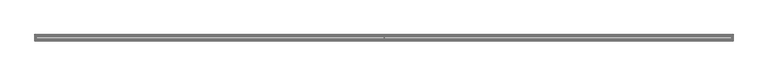
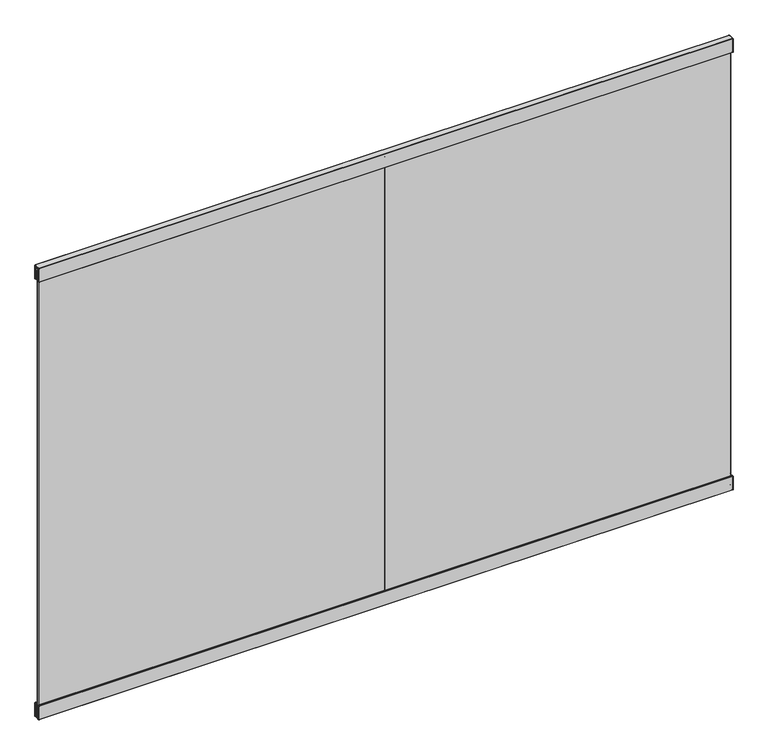
"""IFC4 building model written with IfcOpenShell, lengths in millimetres: furniture geometry."""

import ifcopenshell
import ifcopenshell.guid

model = None  # the IFC model being written
_history = None  # IfcOwnerHistory: only IFC2X3 demands one
_inside = {}  # id of a spatial element -> (the spatial element, [elements in it])
_under = {}  # id of a project, library or spatial element -> (it, [spatial elements below it])
_declared = {}  # id of a project -> (the project, [libraries it declares])
_typed = {}  # id of a type object -> (the type object, [elements of that type])
_made_of = {}  # id of a material, layer set ... -> (it, [elements and type objects made of it])


def new_model(schema):
    """Start an empty IFC model of exactly this schema.

    Asked for "IFC4X3", IfcOpenShell would pick the latest addendum, in which some entities
    have other attributes; the version numbers below select the first issue.
    IFC2X3 requires an IfcOwnerHistory on every rooted entity: one is made here for all.
    """
    global model, _history
    if schema == "IFC4X3":
        model = ifcopenshell.file(schema_version=(4, 3, 0, 0))
    else:
        model = ifcopenshell.file(schema=schema)
    _inside.clear()
    _under.clear()
    _declared.clear()
    _typed.clear()
    _made_of.clear()
    _history = None
    if model.schema == "IFC2X3":
        org = make("IfcOrganization", Name="unknown")
        user = make(
            "IfcPersonAndOrganization",
            ThePerson=make("IfcPerson", FamilyName="unknown"),
            TheOrganization=org,
        )
        app = make(
            "IfcApplication",
            ApplicationDeveloper=org,
            Version="unknown",
            ApplicationFullName="unknown",
            ApplicationIdentifier="unknown",
        )
        _history = make(
            "IfcOwnerHistory",
            OwningUser=user,
            OwningApplication=app,
            ChangeAction="ADDED",
            CreationDate=0,
        )
    return model


def make(cls, **values):
    """One entity of the class cls with the attributes given. An attribute that is None is left unset."""
    return model.create_entity(
        cls, **{name: value for name, value in values.items() if value is not None}
    )


def rooted(cls, **values):
    """An entity with a GlobalId (a new one), such as an element, a storey or a relation."""
    return make(cls, GlobalId=ifcopenshell.guid.new(), OwnerHistory=_history, **values)


def si_unit(unit_type, name, prefix=None):
    """IfcSIUnit, for example si_unit("LENGTHUNIT", "METRE", prefix="MILLI")."""
    return make("IfcSIUnit", UnitType=unit_type, Prefix=prefix, Name=name)


def assignment(units):
    """IfcUnitAssignment: the units of a project."""
    return None if units is None else make("IfcUnitAssignment", Units=units)


def point(xyz):
    """IfcCartesianPoint."""
    return None if xyz is None else make("IfcCartesianPoint", Coordinates=xyz)


def direction(xyz):
    """IfcDirection."""
    return None if xyz is None else make("IfcDirection", DirectionRatios=xyz)


def frame(location, z_axis=None, x_axis=None):
    """IfcAxis2Placement3D, a coordinate frame: its origin and axes. An axis left out is left unset."""
    return make(
        "IfcAxis2Placement3D",
        Location=point(location),
        Axis=direction(z_axis),
        RefDirection=direction(x_axis),
    )


def origin():
    """The frame at (0, 0, 0) with its axes left unset."""
    return frame((0.0, 0.0, 0.0))


def place(relative_to, where):
    """IfcLocalPlacement: puts the frame where relative to a parent placement (None: the world)."""
    return make(
        "IfcLocalPlacement", PlacementRelTo=relative_to, RelativePlacement=where
    )


def context(
    kind, dimensions, precision=None, world=None, true_north=None, identifier=None
):
    """IfcGeometricRepresentationContext, for example the 3D "Model" context."""
    return make(
        "IfcGeometricRepresentationContext",
        ContextIdentifier=identifier,
        ContextType=kind,
        CoordinateSpaceDimension=dimensions,
        Precision=precision,
        WorldCoordinateSystem=world,
        TrueNorth=true_north,
    )


def project(units=None, contexts=None):
    """IfcProject with its units and contexts."""
    return rooted(
        "IfcProject",
        Name="project",
        RepresentationContexts=contexts,
        UnitsInContext=assignment(units),
    )


def spatial(cls, under=None, at=None, **own):
    """A site, building, storey or space (cls), placed at a placement, below another one or the project."""
    s = rooted(cls, ObjectPlacement=at, **own)
    if under is not None:
        _under.setdefault(under.id(), (under, []))[1].append(s)
    return s


def point_list(points):
    """IfcCartesianPointList2D or 3D."""
    cls = (
        "IfcCartesianPointList2D" if len(points[0]) == 2 else "IfcCartesianPointList3D"
    )
    return make(cls, CoordList=points)


def triangles(points, corners, closed=None, point_numbers=None):
    """IfcTriangulatedFaceSet: each triangle names its three corners, points numbered from 1."""
    return make(
        "IfcTriangulatedFaceSet",
        Coordinates=point_list(points),
        Closed=closed,
        CoordIndex=corners,
        PnIndex=point_numbers,
    )


def shape(context_of_items, identifier, shape_type, items):
    """IfcShapeRepresentation: the items that make up one representation, for example the "Body"."""
    return make(
        "IfcShapeRepresentation",
        ContextOfItems=context_of_items,
        RepresentationIdentifier=identifier,
        RepresentationType=shape_type,
        Items=items,
    )


def source(mapping_origin, context_of_items, identifier, shape_type, items):
    """IfcRepresentationMap: a shape defined once, which mapped items show again and again."""
    return make(
        "IfcRepresentationMap",
        MappingOrigin=mapping_origin,
        MappedRepresentation=shape(context_of_items, identifier, shape_type, items),
    )


def transform(
    local_origin,
    x_axis=None,
    y_axis=None,
    z_axis=None,
    scale=None,
    scale2=None,
    scale3=None,
    uniform=True,
):
    """IfcCartesianTransformationOperator3D, or its non-uniform kind. x_axis, y_axis, z_axis: its Axis1, 2, 3."""
    if uniform:
        return make(
            "IfcCartesianTransformationOperator3D",
            Axis1=direction(x_axis),
            Axis2=direction(y_axis),
            LocalOrigin=point(local_origin),
            Scale=scale,
            Axis3=direction(z_axis),
        )
    return make(
        "IfcCartesianTransformationOperator3DnonUniform",
        Axis1=direction(x_axis),
        Axis2=direction(y_axis),
        LocalOrigin=point(local_origin),
        Scale=scale,
        Axis3=direction(z_axis),
        Scale2=scale2,
        Scale3=scale3,
    )


def mapped(mapping_source, mapping_target):
    """IfcMappedItem: shows the shape of a source again, moved by a transform."""
    return make(
        "IfcMappedItem", MappingSource=mapping_source, MappingTarget=mapping_target
    )


def made_of(thing, what):
    """Note that an element or type object is made of a material, layer set ...; save() writes the relation."""
    if what is not None:
        _made_of.setdefault(what.id(), (what, []))[1].append(thing)
    return thing


def element(
    cls,
    number,
    at=None,
    inside=None,
    cuts=None,
    type_object=None,
    material=None,
    context=None,
    identifier="Body",
    shape_type=None,
    held_by="IfcProductDefinitionShape",
    body=None,
    shapes=None,
    **own,
):
    """One element of the class cls, such as IfcWall. Its Tag is "e" and its number.

    at: its placement. inside: the storey or other place that contains it. cuts: it is an
    opening in that element (IfcRelVoidsElement). A single representation is given by context,
    identifier, shape_type and body (its items); several are given by shapes. held_by: the class
    of the entity that holds the representations. save() writes the other relations.
    """
    e = rooted(cls, Tag="e%d" % number, ObjectPlacement=at, **own)
    if body is not None:
        shapes = [shape(context, identifier, shape_type, body)]
    if shapes is not None:
        e.Representation = make(held_by, Representations=shapes)
    if inside is not None:
        _inside.setdefault(inside.id(), (inside, []))[1].append(e)
    if cuts is not None:
        rooted(
            "IfcRelVoidsElement", RelatingBuildingElement=cuts, RelatedOpeningElement=e
        )
    if type_object is not None:
        _typed.setdefault(type_object.id(), (type_object, []))[1].append(e)
    return made_of(e, material)


def aggregate(whole, parts):
    """IfcRelAggregates: a whole, such as a stair, and the parts it consists of."""
    return rooted("IfcRelAggregates", RelatingObject=whole, RelatedObjects=parts)


def save(model, path):
    """Write the relations noted so far, then the file.

    IfcRelAggregates (storeys below a building ...), IfcRelContainedInSpatialStructure (elements
    in a storey), IfcRelDefinesByType, IfcRelAssociatesMaterial and IfcRelDeclares: one each for
    every whole, place, type object, material and project.
    """
    for whole, parts in _under.values():
        aggregate(whole, parts)
    for where, things in _inside.values():
        rooted(
            "IfcRelContainedInSpatialStructure",
            RelatedElements=things,
            RelatingStructure=where,
        )
    for kind, things in _typed.values():
        rooted("IfcRelDefinesByType", RelatedObjects=things, RelatingType=kind)
    for what, things in _made_of.values():
        rooted("IfcRelAssociatesMaterial", RelatedObjects=things, RelatingMaterial=what)
    for by, libraries in _declared.values():
        rooted("IfcRelDeclares", RelatingContext=by, RelatedDefinitions=libraries)
    model.write(path)


def furniture_4dbdff8d(model_context):
    return source(origin(), model_context, "Body", "Tessellation", [
        triangles([(0.1478743, -14.9220145, 2692.5487312), (0.1478743, -14.5782117, 2692.6908737), (0.5070846, -14.4730015, 2692.5856476), (0.5070846, -14.9220145, 2692.3999031), (-0.0009154, -14.9220145, 2692.9077209), (0.1478743, -14.4358047, 2693.0347481), (-0.0009154, -14.7950147, 2693.0347481), (0.5070846, -14.287014, 2693.0347481), (2437.8910194, -14.4729935, 2692.5856476), (2437.8910194, -14.2870061, 2693.0347481), (2437.8910194, -14.9220055, 2692.3999031), (0.1478744, -18.0970149, 2692.5487312), (0.1478744, -18.4408166, 2692.6908737), (0.5070846, -18.5460269, 2692.5856476), (0.5070846, -18.0970149, 2692.3999031), (-0.0009154, -18.0970149, 2692.9077209), (0.1478744, -18.5832248, 2693.0347481), (0.5070846, -18.7320143, 2693.0347481), (-0.0009154, -18.2240148, 2693.0347481), (0.1478743, -14.4358047, 2742.5648643), (-0.0009154, -14.7950147, 2742.5648643), (0.5070846, -14.287014, 2742.5648643), (0.1478743, -14.5782117, 2742.9087387), (0.5070846, -14.4730015, 2743.0136742), (0.1478743, -14.9220145, 2743.0508812), (-0.0009154, -14.9220145, 2742.6918915), (0.5070846, -14.9220145, 2743.1997093), (0.1478745, -25.3995125, 2743.0508812), (-0.0009153, -25.3995125, 2742.6918915), (0.5070847, -25.3995125, 2743.1997093), (0.1478744, -18.5832248, 2735.5798256), (0.1478744, -18.998779, 2736.582962), (0.5070846, -19.1039893, 2736.4777359), (0.5070846, -18.7320143, 2735.5798256), (-0.0009154, -18.2240148, 2735.5798256), (-0.0009154, -18.7447781, 2736.8370163), (0.1478744, -20.0020154, 2736.9986343), (0.5070846, -20.0020154, 2736.8498062), (-0.0009154, -20.0020154, 2737.3579147), (2438.2502998, -18.9987699, 2736.582962), (2438.2502998, -20.0020063, 2736.9986343), (2437.8910194, -19.1039802, 2736.4777359), (2437.8910194, -20.0020063, 2736.8498062), (2438.399128, -18.7447702, 2736.8370163), (2438.399128, -20.0020063, 2737.3579147), (2438.2502998, -18.5832157, 2735.5798256), (2437.8910194, -18.7320064, 2735.5798256), (2438.399128, -18.2240057, 2735.5798256), (2438.2502998, -25.3995125, 2736.9986343), (2437.8910194, -25.3995125, 2736.8498062), (2438.399128, -25.3995125, 2737.3579147), (2438.2502998, -18.5832157, 2693.0347481), (2438.2502998, -18.4408087, 2692.6908737), (2437.8910194, -18.5460189, 2692.5856476), (2437.8910194, -18.7320064, 2693.0347481), (2438.399128, -18.2240057, 2693.0347481), (2438.2502998, -18.0970058, 2692.5487312), (2437.8910194, -18.0970058, 2692.3999031), (2438.399128, -18.0970058, 2692.9077209), (2438.2502998, -14.9220055, 2692.5487312), (2438.2502998, -14.5782038, 2692.6908737), (2438.399128, -14.9220055, 2692.9077209), (2438.2502998, -14.4357956, 2693.0347481), (2438.399128, -14.7950056, 2693.0347481), (2438.2502998, -14.4357956, 2742.5648643), (2438.399128, -14.7950056, 2742.5648643), (2437.8910194, -14.2870061, 2742.5648643), (2438.2502998, -14.5782038, 2742.9087387), (2437.8910194, -14.4729935, 2743.0136742), (2438.2502998, -14.9220055, 2743.0508812), (2438.399128, -14.9220055, 2742.6918915), (2437.8910194, -14.9220055, 2743.1997093), (2438.2502998, -25.3995125, 2743.0508812), (2438.399128, -25.3995125, 2742.6918915), (2437.8910194, -25.3995125, 2743.1997093), (0.1478745, -25.3995125, 2736.9986343), (0.5070847, -25.3995125, 2736.8498062), (-0.0009153, -25.3995125, 2737.3579147), (0.5070848, -30.7970142, 2736.8498062), (2437.8910194, -30.7970051, 2736.8498062), (2437.8910194, -35.8770071, 2743.1997093), (0.5070848, -35.8770139, 2743.1997093), (0.1478743, -35.8770116, 2692.5487312), (0.1478743, -36.2208133, 2692.6908737), (0.5070846, -36.3260235, 2692.5856476), (0.5070846, -35.8770116, 2692.3999031), (-0.0009154, -35.8770116, 2692.9077209), (0.1478743, -36.3632215, 2693.0347481), (-0.0009154, -36.0040115, 2693.0347481), (0.5070846, -36.512011, 2693.0347481), (2437.8910194, -36.3260326, 2692.5856476), (2437.8910194, -36.5120201, 2693.0347481), (2437.8910194, -35.8770207, 2692.3999031), (0.1478744, -32.7020124, 2692.5487312), (0.1478744, -32.3582084, 2692.6908737), (0.5070846, -32.2529982, 2692.5856476), (0.5070846, -32.7020124, 2692.3999031), (-0.0009154, -32.7020124, 2692.9077209), (0.1478744, -32.2158002, 2693.0347481), (0.5070846, -32.0670107, 2693.0347481), (-0.0009154, -32.5750125, 2693.0347481), (0.1478743, -36.3632215, 2742.5648643), (-0.0009154, -36.0040115, 2742.5648643), (0.5070846, -36.512011, 2742.5648643), (0.1478743, -36.2208133, 2742.9087387), (0.5070846, -36.3260235, 2743.0136742), (0.1478743, -35.8770116, 2743.0508812), (-0.0009154, -35.8770116, 2742.6918915), (0.1478744, -32.2158002, 2735.5798256), (0.1478744, -31.8002483, 2736.582962), (0.5070846, -31.695038, 2736.4777359), (0.5070846, -32.0670107, 2735.5798256), (-0.0009154, -32.5750125, 2735.5798256), (-0.0009154, -32.054248, 2736.8370163), (0.1478744, -30.7970119, 2736.9986343), (-0.0009154, -30.7970119, 2737.3579147), (2438.2502998, -31.8002551, 2736.582962), (2438.2502998, -30.797021, 2736.9986343), (2437.8910194, -31.6950448, 2736.4777359), (2438.399128, -32.0542548, 2736.8370163), (2438.399128, -30.797021, 2737.3579147), (2438.2502998, -32.2158093, 2735.5798256), (2437.8910194, -32.0670198, 2735.5798256), (2438.399128, -32.5750193, 2735.5798256), (2438.2502998, -32.2158093, 2693.0347481), (2438.2502998, -32.3582175, 2692.6908737), (2437.8910194, -32.2530072, 2692.5856476), (2437.8910194, -32.0670198, 2693.0347481), (2438.399128, -32.5750193, 2693.0347481), (2438.2502998, -32.7020192, 2692.5487312), (2437.8910194, -32.7020192, 2692.3999031), (2438.399128, -32.7020192, 2692.9077209), (2438.2502998, -35.8770207, 2692.5487312), (2438.2502998, -36.2208224, 2692.6908737), (2438.399128, -35.8770207, 2692.9077209), (2438.2502998, -36.3632306, 2693.0347481), (2438.399128, -36.0040206, 2693.0347481), (2438.2502998, -36.3632306, 2742.5648643), (2438.399128, -36.0040206, 2742.5648643), (2437.8910194, -36.5120201, 2742.5648643), (2438.2502998, -36.2208224, 2742.9087387), (2437.8910194, -36.3260326, 2743.0136742), (2438.2502998, -35.8770207, 2743.0508812), (2438.399128, -35.8770207, 2742.6918915), (0.5079999, -14.9225017, 1119.1999992), (0.5079999, -14.4734886, 1119.0140368), (0.1487897, -14.5786988, 1118.9088106), (0.1487897, -14.9225017, 1119.0511711), (-1e-07, -14.8326986, 1118.654829), (0.1487897, -14.4362918, 1118.5650089), (0.5079999, -14.2875011, 1118.5650089), (2437.8920368, -14.2874932, 1118.5650089), (2437.8920368, -14.4734807, 1119.0140368), (2437.8920368, -14.9224926, 1119.1999992), (0.5079999, -18.097502, 1119.1999992), (0.5079999, -18.546514, 1119.0140368), (0.1487897, -18.4413037, 1118.9088106), (0.1487897, -18.097502, 1119.0511711), (-1e-07, -18.187304, 1118.654829), (0.5079999, -18.7325014, 1118.5650089), (0.1487897, -18.5837119, 1118.5650089), (-1e-07, -14.7955018, 1069.0349653), (0.1487897, -14.4362918, 1069.0349653), (0.5079999, -14.2875011, 1069.0349653), (0.1487897, -14.5786988, 1068.6911636), (0.5079999, -14.4734886, 1068.5860102), (-1e-07, -14.9225017, 1068.9080109), (0.1487897, -14.9225017, 1068.5488031), (0.5079999, -14.9225017, 1068.399975), (0.0, -25.4000008, 1068.9080109), (0.1487898, -25.4000008, 1068.5488031), (0.508, -25.4000008, 1068.399975), (0.5079999, -18.7325014, 1076.0200041), (0.5079999, -19.1044752, 1075.1219484), (0.1487897, -18.9992661, 1075.016795), (0.1487897, -18.5837119, 1076.0200041), (-1e-07, -18.7452652, 1074.7627407), (-1e-07, -18.2245019, 1076.0200041), (0.5079999, -20.0025014, 1074.7500235), (0.1487897, -20.0025014, 1074.6011953), (0.0, -20.0025014, 1074.2419876), (2437.8920368, -19.1044684, 1075.1219484), (2437.8920368, -20.0024923, 1074.7500235), (2438.2511719, -20.0024923, 1074.6011953), (2438.2511719, -18.999257, 1075.016795), (2438.4, -18.7452573, 1074.7627407), (2438.4, -20.0024923, 1074.2419876), (2437.8920368, -18.7324935, 1076.0200041), (2438.2511719, -18.5837028, 1076.0200041), (2438.4, -18.2244928, 1076.0200041), (2437.8920368, -25.4000008, 1074.7500235), (2438.2511719, -25.4000008, 1074.6011953), (2438.4, -25.4000008, 1074.2419876), (2437.8920368, -18.7324935, 1118.5650089), (2437.8920368, -18.546506, 1119.0140368), (2438.2511719, -18.4412958, 1118.9088106), (2438.2511719, -18.5837028, 1118.5650089), (2438.4, -18.187296, 1118.654829), (2437.8920368, -18.097493, 1119.1999992), (2438.2511719, -18.097493, 1119.0511711), (2438.2511719, -14.5786909, 1118.9088106), (2438.2511719, -14.9224926, 1119.0511711), (2438.4, -14.9224926, 1118.6919634), (2438.2511719, -14.4362827, 1118.5650089), (2438.4, -14.7954927, 1118.5650089), (2438.4, -14.7954927, 1069.0349653), (2438.2511719, -14.4362827, 1069.0349653), (2437.8920368, -14.2874932, 1069.0349653), (2438.2511719, -14.5786909, 1068.6911636), (2437.8920368, -14.4734807, 1068.5860102), (2438.4, -14.9224926, 1068.9080109), (2438.2511719, -14.9224926, 1068.5488031), (2437.8920368, -14.9224926, 1068.399975), (2438.4, -25.4000008, 1068.9080109), (2438.2511719, -25.4000008, 1068.5488031), (2437.8920368, -25.4000008, 1068.399975), (0.508, -25.4000008, 1074.7500235), (0.1487898, -25.4000008, 1074.6011953), (0.0, -25.4000008, 1074.2419876), (2437.8920368, -30.7974933, 1074.7500235), (0.5080001, -30.7975024, 1074.7500235), (0.5080001, -35.8775021, 1068.399975), (2437.8920368, -35.877493, 1068.399975), (0.5079999, -35.8774976, 1119.1999992), (0.5079999, -36.3265118, 1119.0140368), (0.1487897, -36.2213015, 1118.9088106), (0.1487897, -35.8774976, 1119.0511711), (-1e-07, -35.9673018, 1118.654829), (0.1487897, -36.3637097, 1118.5650089), (0.5079999, -36.5124992, 1118.5650089), (2437.8920368, -36.5125061, 1118.5650089), (2437.8920368, -36.3265209, 1119.0140368), (2437.8920368, -35.8775067, 1119.1999992), (0.5079999, -32.7024983, 1119.1999992), (0.5079999, -32.2534864, 1119.0140368), (0.1487897, -32.3586966, 1118.9088106), (0.1487897, -32.7024983, 1119.0511711), (-1e-07, -32.6126964, 1118.654829), (0.5079999, -32.0674989, 1118.5650089), (0.1487897, -32.2162885, 1118.5650089), (-1e-07, -36.0044975, 1069.0349653), (0.1487897, -36.3637097, 1069.0349653), (0.5079999, -36.5124992, 1069.0349653), (0.1487897, -36.2213015, 1068.6911636), (0.5079999, -36.3265118, 1068.5860102), (-1e-07, -35.8774976, 1068.9080109), (0.1487897, -35.8774976, 1068.5488031), (0.5079999, -32.0674989, 1076.0200041), (0.5079999, -31.695524, 1075.1219484), (0.1487897, -31.8007342, 1075.016795), (0.1487897, -32.2162885, 1076.0200041), (-1e-07, -32.054734, 1074.7627407), (-1e-07, -32.5754985, 1076.0200041), (0.1487897, -30.7974979, 1074.6011953), (0.0, -30.7974979, 1074.2419876), (2437.8920368, -31.6955331, 1075.1219484), (2438.2511719, -30.797507, 1074.6011953), (2438.2511719, -31.8007433, 1075.016795), (2438.4, -32.0547431, 1074.7627407), (2438.4, -30.797507, 1074.2419876), (2437.8920368, -32.067508, 1076.0200041), (2438.2511719, -32.2162975, 1076.0200041), (2438.4, -32.5755075, 1076.0200041), (2437.8920368, -32.067508, 1118.5650089), (2437.8920368, -32.2534932, 1119.0140368), (2438.2511719, -32.3587035, 1118.9088106), (2438.2511719, -32.2162975, 1118.5650089), (2438.4, -32.6127055, 1118.654829), (2437.8920368, -32.7025074, 1119.1999992), (2438.2511719, -32.7025074, 1119.0511711), (2438.2511719, -36.2213106, 1118.9088106), (2438.2511719, -35.8775067, 1119.0511711), (2438.4, -35.8775067, 1118.6919634), (2438.2511719, -36.3637165, 1118.5650089), (2438.4, -36.0045065, 1118.5650089), (2438.4, -36.0045065, 1069.0349653), (2438.2511719, -36.3637165, 1069.0349653), (2437.8920368, -36.5125061, 1069.0349653), (2438.2511719, -36.2213106, 1068.6911636), (2437.8920368, -36.3265209, 1068.5860102), (2438.4, -35.8775067, 1068.9080109), (2438.2511719, -35.8775067, 1068.5488031)], [[1, 2, 3], [1, 3, 4], [5, 2, 1], [2, 6, 7], [3, 8, 6], [3, 6, 2], [3, 9, 10], [3, 10, 8], [4, 11, 9], [4, 9, 3], [12, 13, 14], [12, 14, 15], [16, 13, 12], [13, 17, 18], [13, 18, 14], [16, 19, 17], [19, 17, 13], [6, 20, 21], [6, 21, 7], [8, 22, 20], [8, 20, 6], [20, 23, 21], [22, 24, 23], [22, 23, 20], [23, 25, 21], [24, 27, 25], [24, 25, 23], [25, 28, 26], [28, 29, 26], [27, 30, 25], [30, 28, 25], [31, 32, 33], [31, 33, 34], [35, 36, 31], [36, 32, 31], [32, 37, 33], [37, 38, 33], [36, 39, 32], [39, 37, 32], [40, 41, 42], [41, 43, 42], [44, 45, 41], [44, 41, 40], [40, 46, 47], [40, 47, 42], [44, 48, 46], [44, 46, 40], [41, 49, 43], [49, 50, 43], [45, 51, 41], [51, 49, 41], [52, 53, 54], [52, 54, 55], [56, 53, 52], [57, 53, 58], [53, 54, 58], [59, 53, 57], [60, 61, 11], [61, 9, 11], [62, 61, 60], [61, 63, 9], [63, 10, 9], [62, 64, 63], [62, 63, 61], [57, 60, 11], [57, 11, 58], [59, 62, 60], [59, 60, 57], [52, 46, 48], [52, 48, 56], [55, 47, 46], [55, 46, 52], [63, 65, 66], [63, 66, 64], [10, 67, 65], [10, 65, 63], [65, 68, 66], [67, 69, 68], [67, 68, 65], [68, 70, 71], [69, 72, 70], [69, 70, 68], [73, 70, 71], [73, 71, 74], [75, 72, 70], [75, 70, 73], [42, 33, 38], [42, 38, 43], [47, 34, 33], [47, 33, 42], [1, 12, 4], [12, 15, 4], [5, 16, 1], [16, 12, 1], [17, 31, 34], [17, 34, 18], [19, 35, 31], [19, 31, 17], [37, 76, 38], [76, 77, 38], [39, 78, 37], [78, 76, 37], [69, 24, 22], [69, 22, 67], [72, 27, 24], [72, 24, 69], [54, 14, 15], [54, 15, 58], [55, 18, 14], [55, 14, 54], [79, 38, 43], [79, 43, 80], [55, 47, 34], [55, 34, 18], [62, 56, 59], [56, 64, 62], [66, 48, 64], [48, 56, 64], [44, 71, 48], [71, 66, 48], [71, 45, 44], [51, 74, 71], [51, 71, 45], [15, 4, 11], [15, 11, 58], [19, 5, 16], [7, 19, 5], [35, 21, 7], [35, 7, 19], [21, 36, 35], [39, 26, 36], [26, 21, 36], [29, 78, 39], [29, 39, 26], [81, 72, 27], [81, 27, 82], [83, 84, 85], [83, 85, 86], [87, 84, 83], [84, 88, 89], [85, 90, 88], [85, 88, 84], [85, 91, 92], [85, 92, 90], [86, 93, 91], [86, 91, 85], [94, 95, 96], [94, 96, 97], [98, 95, 94], [95, 99, 100], [95, 100, 96], [98, 101, 99], [101, 99, 95], [88, 102, 89], [102, 103, 89], [90, 104, 102], [90, 102, 88], [102, 105, 103], [104, 106, 105], [104, 105, 102], [105, 107, 103], [106, 82, 105], [82, 107, 105], [107, 28, 29], [107, 29, 108], [82, 30, 28], [82, 28, 107], [109, 110, 111], [109, 111, 112], [113, 114, 109], [114, 110, 109], [110, 115, 111], [115, 79, 111], [114, 116, 110], [116, 115, 110], [117, 118, 119], [118, 80, 119], [120, 121, 118], [120, 118, 117], [117, 122, 123], [117, 123, 119], [120, 124, 122], [120, 122, 117], [118, 49, 50], [118, 50, 80], [121, 51, 49], [121, 49, 118], [125, 126, 127], [125, 127, 128], [129, 126, 125], [130, 126, 131], [126, 127, 131], [132, 126, 130], [133, 134, 93], [134, 91, 93], [135, 134, 133], [134, 136, 91], [136, 92, 91], [135, 137, 136], [137, 136, 134], [130, 133, 131], [133, 93, 131], [132, 135, 130], [135, 133, 130], [125, 122, 124], [125, 124, 129], [128, 123, 122], [128, 122, 125], [136, 138, 139], [136, 139, 137], [92, 140, 138], [92, 138, 136], [138, 141, 139], [140, 142, 141], [140, 141, 138], [141, 143, 144], [142, 81, 143], [142, 143, 141], [73, 143, 74], [143, 144, 74], [75, 81, 143], [75, 143, 73], [119, 111, 79], [119, 79, 80], [123, 112, 111], [123, 111, 119], [83, 94, 97], [83, 97, 86], [87, 98, 94], [87, 94, 83], [99, 109, 112], [99, 112, 100], [101, 113, 99], [113, 109, 99], [115, 76, 77], [115, 77, 79], [116, 78, 76], [116, 76, 115], [142, 106, 104], [142, 104, 140], [81, 82, 106], [81, 106, 142], [127, 96, 97], [127, 97, 131], [128, 100, 96], [128, 96, 127], [100, 112, 123], [100, 123, 128], [135, 132, 137], [132, 137, 129], [137, 129, 124], [137, 124, 139], [124, 139, 144], [124, 144, 120], [144, 120, 121], [121, 144, 74], [121, 74, 51], [131, 93, 86], [131, 86, 97], [98, 87, 101], [87, 101, 89], [101, 89, 103], [101, 103, 113], [103, 113, 114], [114, 103, 108], [114, 108, 116], [108, 116, 78], [108, 78, 29], [8, 22, 67], [8, 67, 10], [90, 104, 140], [90, 140, 92], [145, 146, 147], [145, 147, 148], [148, 147, 149], [149, 150, 147], [147, 150, 146], [150, 151, 146], [151, 152, 153], [151, 153, 146], [146, 153, 154], [146, 154, 145], [155, 156, 157], [155, 157, 158], [158, 157, 159], [156, 160, 161], [156, 161, 157], [157, 161, 159], [149, 162, 163], [149, 163, 150], [150, 163, 164], [150, 164, 151], [162, 165, 163], [163, 165, 166], [163, 166, 164], [162, 167, 168], [167, 168, 165], [165, 168, 169], [165, 169, 166], [167, 170, 168], [170, 171, 168], [168, 171, 169], [171, 172, 169], [173, 174, 175], [173, 175, 176], [176, 175, 177], [176, 177, 178], [174, 179, 180], [174, 180, 175], [175, 180, 181], [175, 181, 177], [182, 183, 184], [182, 184, 185], [185, 184, 186], [184, 187, 186], [182, 188, 189], [182, 189, 185], [185, 189, 190], [185, 190, 186], [183, 191, 192], [183, 192, 184], [184, 192, 187], [192, 193, 187], [194, 195, 196], [194, 196, 197], [197, 196, 198], [199, 195, 196], [199, 196, 200], [200, 196, 198], [154, 153, 201], [154, 201, 202], [202, 201, 203], [153, 152, 204], [153, 204, 201], [201, 204, 203], [199, 154, 202], [199, 202, 200], [200, 202, 203], [200, 203, 198], [198, 190, 189], [198, 189, 197], [197, 189, 188], [197, 188, 194], [205, 206, 207], [205, 207, 204], [204, 207, 208], [204, 208, 152], [206, 209, 207], [207, 209, 210], [207, 210, 208], [206, 211, 209], [211, 212, 209], [209, 212, 213], [209, 213, 210], [214, 211, 212], [214, 212, 215], [215, 212, 213], [215, 213, 216], [183, 179, 174], [183, 174, 182], [182, 174, 173], [182, 173, 188], [145, 155, 148], [155, 158, 148], [148, 158, 149], [158, 159, 149], [160, 173, 176], [160, 176, 161], [161, 176, 178], [161, 178, 159], [179, 217, 180], [217, 218, 180], [180, 218, 181], [218, 219, 181], [208, 164, 166], [208, 166, 210], [210, 166, 169], [210, 169, 213], [199, 155, 156], [199, 156, 195], [195, 156, 160], [195, 160, 194], [220, 183, 179], [220, 179, 221], [160, 173, 188], [160, 188, 194], [203, 198, 205], [205, 198, 206], [198, 190, 206], [190, 206, 211], [190, 211, 186], [186, 187, 211], [187, 211, 193], [211, 214, 193], [199, 154, 145], [199, 145, 155], [159, 149, 162], [159, 162, 178], [178, 177, 162], [177, 162, 167], [177, 167, 181], [167, 181, 219], [167, 219, 170], [222, 169, 213], [222, 213, 223], [224, 225, 226], [224, 226, 227], [227, 226, 228], [228, 229, 226], [226, 229, 225], [229, 230, 225], [230, 231, 232], [230, 232, 225], [225, 232, 233], [225, 233, 224], [234, 235, 236], [234, 236, 237], [237, 236, 238], [235, 239, 240], [235, 240, 236], [236, 240, 238], [228, 241, 242], [228, 242, 229], [229, 242, 243], [229, 243, 230], [241, 244, 242], [242, 244, 245], [242, 245, 243], [241, 246, 247], [246, 247, 244], [244, 247, 222], [244, 222, 245], [246, 170, 171], [246, 171, 247], [247, 171, 172], [247, 172, 222], [248, 249, 250], [248, 250, 251], [251, 250, 252], [251, 252, 253], [249, 221, 254], [249, 254, 250], [250, 254, 255], [250, 255, 252], [256, 220, 257], [256, 257, 258], [258, 257, 259], [257, 260, 259], [256, 261, 262], [256, 262, 258], [258, 262, 263], [258, 263, 259], [220, 191, 192], [220, 192, 257], [257, 192, 193], [257, 193, 260], [264, 265, 266], [264, 266, 267], [267, 266, 268], [269, 265, 266], [269, 266, 270], [270, 266, 268], [233, 232, 271], [233, 271, 272], [272, 271, 273], [232, 231, 274], [232, 274, 271], [271, 274, 273], [269, 233, 272], [269, 272, 270], [270, 272, 268], [272, 273, 268], [268, 263, 262], [268, 262, 267], [267, 262, 261], [267, 261, 264], [275, 276, 277], [275, 277, 274], [274, 277, 278], [274, 278, 231], [276, 279, 277], [277, 279, 280], [277, 280, 278], [276, 281, 279], [281, 282, 279], [279, 282, 223], [279, 223, 280], [214, 281, 215], [281, 282, 215], [215, 282, 216], [282, 223, 216], [220, 221, 249], [220, 249, 256], [256, 249, 248], [256, 248, 261], [224, 234, 237], [224, 237, 227], [227, 237, 238], [227, 238, 228], [239, 248, 251], [239, 251, 240], [240, 251, 253], [240, 253, 238], [221, 217, 218], [221, 218, 254], [254, 218, 219], [254, 219, 255], [278, 243, 245], [278, 245, 280], [280, 245, 222], [280, 222, 223], [269, 234, 235], [269, 235, 265], [265, 235, 239], [265, 239, 264], [264, 261, 248], [264, 248, 239], [275, 268, 273], [276, 263, 268], [276, 268, 275], [259, 276, 263], [281, 260, 259], [281, 259, 276], [193, 214, 260], [214, 281, 260], [234, 224, 233], [234, 233, 269], [253, 241, 228], [253, 228, 238], [241, 252, 253], [255, 246, 241], [255, 241, 252], [170, 219, 255], [170, 255, 246], [152, 208, 164], [152, 164, 151], [231, 278, 243], [231, 243, 230]], closed=False),
        triangles([(4.3600187, -29.3792977, 2726.385038), (4.3600187, -29.8283097, 2726.1990028), (4.0008084, -29.7230994, 2726.0937767), (4.0008084, -29.3792977, 2726.2362099), (3.8520186, -29.4690997, 2725.8397224), (4.0008084, -29.8655076, 2725.7499023), (4.3600187, -30.0142971, 2725.7499023), (1218.6941442, -30.0143062, 2725.7499023), (1218.6941442, -29.8283188, 2726.1990028), (1218.6941442, -29.3793046, 2726.385038), (4.3600187, -21.1242965, 2726.385038), (4.3600187, -20.6752846, 2726.1990028), (4.0008084, -20.7804948, 2726.0937767), (4.0008084, -21.1242965, 2726.2362099), (3.8520186, -21.0344946, 2725.8397224), (4.3600187, -20.4892971, 2725.7499023), (4.0008084, -20.6380867, 2725.7499023), (3.8520186, -29.5062976, 1076.0200041), (4.0008084, -29.8655076, 1076.0200041), (4.3600187, -30.0142971, 1076.0200041), (1218.6941442, -20.4893062, 2725.7499023), (1218.6941442, -20.6752914, 2726.1990028), (1219.053352, -20.7805017, 2726.0937767), (1219.053352, -20.6380957, 2725.7499023), (1219.2021801, -21.0345037, 2725.8397224), (1218.6941442, -21.1243056, 2726.385038), (1219.053352, -21.1243056, 2726.2362099), (1219.053352, -29.3793046, 2726.2362099), (1219.053352, -29.7231085, 2726.0937767), (1219.2021801, -29.4691088, 2725.8397224), (1219.053352, -29.8655167, 2725.7499023), (1219.2021801, -20.9973057, 1076.0200041), (1219.053352, -20.6380957, 1076.0200041), (1218.6941442, -20.4893062, 1076.0200041), (1219.2021801, -29.5063044, 1076.0200041), (1219.053352, -29.8655167, 1076.0200041), (1218.6941442, -30.0143062, 1076.0200041), (4.3600187, -20.4892971, 1076.0200041), (4.0008084, -20.6380867, 1076.0200041), (3.8520186, -20.9972967, 1076.0200041), (4.0008084, -29.3792977, 1075.5337692), (4.0008084, -29.7230994, 1075.6762024), (4.3600187, -29.8283097, 1075.5709763), (4.3600187, -29.3792977, 1075.3850138), (3.8520186, -29.3792977, 1075.892977), (1218.6941442, -29.8283188, 1075.5709763), (1218.6941442, -29.3793046, 1075.3850138), (4.0008084, -21.1242965, 1075.5337692), (4.0008084, -20.7804948, 1075.6762024), (4.3600187, -21.1242965, 1075.3850138), (4.3600187, -20.6752846, 1075.5709763), (3.8520186, -21.1242965, 1075.892977), (1219.053352, -20.7805017, 1075.6762024), (1218.6941442, -20.6752914, 1075.5709763), (1219.053352, -21.1243056, 1075.5337692), (1218.6941442, -21.1243056, 1075.3850138), (1219.2021801, -21.1243056, 1075.892977), (1219.053352, -29.3793046, 1075.5337692), (1219.053352, -29.7231085, 1075.6762024), (1219.2021801, -29.3793046, 1075.892977), (1219.7246773, -29.3792977, 2726.385038), (1219.7246773, -29.8283097, 2726.1990028), (1219.3653969, -29.7230994, 2726.0937767), (1219.3653969, -29.3792977, 2726.2362099), (1219.3653969, -29.8655076, 2725.7499023), (1219.7246773, -30.0142971, 2725.7499023), (2434.0588406, -30.0143062, 2725.7499023), (2434.0588406, -29.8283188, 2726.1990028), (2434.0588406, -29.3793046, 2726.385038), (1219.7246773, -21.1242965, 2726.385038), (1219.7246773, -20.6752846, 2726.1990028), (1219.3653969, -20.7804948, 2726.0937767), (1219.3653969, -21.1242965, 2726.2362099), (1219.7246773, -20.4892971, 2725.7499023), (1219.3653969, -20.6380867, 2725.7499023), (1219.3653969, -29.8655076, 1076.0200041), (1219.7246773, -30.0142971, 1076.0200041), (2434.0588406, -20.4893062, 2725.7499023), (2434.0588406, -20.6752914, 2726.1990028), (2434.4179756, -20.7805017, 2726.0937767), (2434.4179756, -20.6380957, 2725.7499023), (2434.5668037, -21.0345037, 2725.8397224), (2434.0588406, -21.1243056, 2726.385038), (2434.4179756, -21.1243056, 2726.2362099), (2434.4179756, -29.7231085, 2726.0937767), (2434.4179756, -29.3793046, 2726.2362099), (2434.5668037, -29.4691088, 2725.8397224), (2434.4179756, -29.8655167, 2725.7499023), (2434.5668037, -20.9973057, 1076.0200041), (2434.4179756, -20.6380957, 1076.0200041), (2434.0588406, -20.4893062, 1076.0200041), (2434.5668037, -29.5063044, 1076.0200041), (2434.4179756, -29.8655167, 1076.0200041), (2434.0588406, -30.0143062, 1076.0200041), (1219.7246773, -20.4892971, 1076.0200041), (1219.3653969, -20.6380867, 1076.0200041), (1219.3653969, -29.3792977, 1075.5337692), (1219.3653969, -29.7230994, 1075.6762024), (1219.7246773, -29.8283097, 1075.5709763), (1219.7246773, -29.3792977, 1075.3850138), (2434.0588406, -29.8283188, 1075.5709763), (2434.0588406, -29.3793046, 1075.3850138), (1219.3653969, -21.1242965, 1075.5337692), (1219.3653969, -20.7804948, 1075.6762024), (1219.7246773, -20.6752846, 1075.5709763), (1219.7246773, -21.1242965, 1075.3850138), (2434.4179756, -20.7805017, 1075.6762024), (2434.0588406, -20.6752914, 1075.5709763), (2434.4179756, -21.1243056, 1075.5337692), (2434.0588406, -21.1243056, 1075.3850138), (2434.5668037, -21.1243056, 1075.892977), (2434.4179756, -29.3793046, 1075.5337692), (2434.4179756, -29.7231085, 1075.6762024), (2434.5668037, -29.3793046, 1075.892977)], [[1, 2, 3], [1, 3, 4], [4, 3, 5], [5, 6, 3], [3, 6, 2], [6, 7, 2], [7, 8, 9], [7, 9, 2], [2, 9, 10], [2, 10, 1], [11, 12, 13], [11, 13, 14], [14, 13, 15], [12, 16, 17], [12, 17, 13], [13, 17, 15], [5, 18, 19], [5, 19, 6], [6, 19, 20], [6, 20, 7], [21, 22, 23], [21, 23, 24], [24, 23, 25], [26, 22, 27], [22, 23, 27], [27, 23, 25], [10, 9, 28], [9, 29, 28], [28, 29, 30], [9, 8, 29], [8, 31, 29], [29, 31, 30], [26, 10, 28], [26, 28, 27], [27, 28, 25], [28, 30, 25], [25, 32, 33], [25, 33, 24], [24, 33, 34], [24, 34, 21], [30, 35, 36], [30, 36, 31], [31, 36, 37], [31, 37, 8], [1, 11, 14], [1, 14, 4], [4, 14, 15], [4, 15, 5], [16, 38, 39], [16, 39, 17], [17, 39, 40], [17, 40, 15], [26, 11, 12], [26, 12, 22], [22, 12, 16], [22, 16, 21], [21, 34, 38], [21, 38, 16], [35, 32, 25], [35, 25, 30], [11, 1, 10], [11, 10, 26], [40, 18, 5], [40, 5, 15], [8, 37, 20], [8, 20, 7], [41, 42, 43], [41, 43, 44], [45, 42, 41], [42, 19, 18], [42, 18, 45], [43, 20, 19], [43, 19, 42], [43, 46, 37], [43, 37, 20], [44, 47, 46], [44, 46, 43], [48, 49, 50], [49, 51, 50], [52, 40, 48], [40, 49, 48], [49, 39, 38], [49, 38, 51], [40, 39, 49], [33, 53, 54], [33, 54, 34], [32, 53, 33], [55, 53, 56], [53, 54, 56], [57, 53, 55], [58, 59, 47], [59, 46, 47], [60, 59, 58], [59, 36, 46], [36, 37, 46], [60, 35, 36], [60, 36, 59], [55, 58, 56], [58, 47, 56], [57, 60, 55], [60, 58, 55], [41, 48, 50], [41, 50, 44], [45, 52, 48], [45, 48, 41], [54, 51, 50], [54, 50, 56], [34, 38, 51], [34, 51, 54], [57, 60, 35], [57, 35, 32], [56, 47, 44], [56, 44, 50], [52, 45, 18], [52, 18, 40], [61, 62, 63], [61, 63, 64], [64, 63, 30], [30, 65, 63], [63, 65, 62], [65, 66, 62], [66, 67, 68], [66, 68, 62], [62, 68, 69], [62, 69, 61], [70, 71, 72], [70, 72, 73], [73, 72, 25], [71, 74, 75], [71, 75, 72], [72, 75, 25], [30, 35, 76], [30, 76, 65], [65, 76, 77], [65, 77, 66], [78, 79, 80], [78, 80, 81], [81, 80, 82], [83, 79, 80], [83, 80, 84], [84, 80, 82], [69, 68, 85], [69, 85, 86], [86, 85, 87], [68, 67, 85], [67, 88, 85], [85, 88, 87], [83, 69, 86], [83, 86, 84], [84, 86, 82], [86, 87, 82], [82, 89, 90], [82, 90, 81], [81, 90, 91], [81, 91, 78], [87, 92, 93], [87, 93, 88], [88, 93, 94], [88, 94, 67], [61, 70, 73], [61, 73, 64], [64, 73, 25], [64, 25, 30], [74, 95, 96], [74, 96, 75], [75, 96, 32], [75, 32, 25], [83, 70, 71], [83, 71, 79], [79, 71, 74], [79, 74, 78], [78, 91, 95], [78, 95, 74], [92, 89, 82], [92, 82, 87], [70, 61, 69], [70, 69, 83], [32, 35, 30], [32, 30, 25], [67, 94, 77], [67, 77, 66], [97, 98, 99], [97, 99, 100], [60, 98, 97], [98, 76, 35], [98, 35, 60], [99, 77, 98], [77, 76, 98], [99, 101, 94], [99, 94, 77], [100, 102, 101], [100, 101, 99], [103, 104, 105], [103, 105, 106], [57, 104, 103], [104, 96, 95], [104, 95, 105], [57, 32, 96], [57, 96, 104], [90, 107, 108], [90, 108, 91], [89, 107, 90], [109, 107, 110], [107, 108, 110], [111, 107, 109], [112, 113, 102], [113, 101, 102], [114, 92, 112], [92, 113, 112], [113, 93, 101], [93, 94, 101], [92, 93, 113], [109, 112, 110], [112, 102, 110], [111, 114, 109], [114, 112, 109], [97, 103, 106], [97, 106, 100], [60, 57, 103], [60, 103, 97], [108, 105, 106], [108, 106, 110], [91, 95, 105], [91, 105, 108], [114, 111, 89], [114, 89, 92], [110, 102, 106], [102, 100, 106], [60, 57, 32], [60, 32, 35]], closed=False),
    ])


if __name__ == "__main__":
    model = new_model("IFC4")
    model_context = context("Model", 3, world=origin())
    ifc_project = project(units=[si_unit("LENGTHUNIT", "METRE", prefix="MILLI")], contexts=[model_context])
    site = spatial("IfcSite", under=ifc_project)
    building = spatial("IfcBuilding", under=site)
    placement = place(None, origin())
    furniture_shape = furniture_4dbdff8d(model_context)
    element("IfcFurniture", 1, at=placement, inside=building, context=model_context, shape_type="MappedRepresentation", body=[
        mapped(furniture_shape, transform((0.0, 0.0, 0.0), x_axis=(1.0, 0.0, 0.0), y_axis=(0.0, 1.0, 0.0), z_axis=(0.0, 0.0, 1.0))),
    ])
    save(model, "model.ifc")
